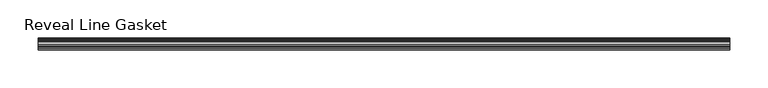
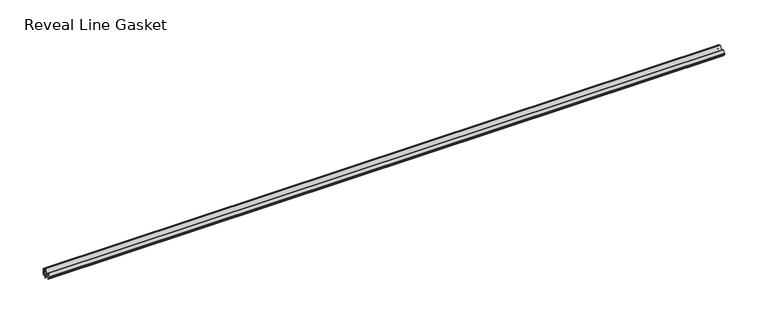
"""IFC4 building model written with IfcOpenShell, lengths in millimetres: furniture geometry, Reveal Line Gasket."""

from ifc_helpers import new_model, si_unit, point, frame, frame_2d, origin, place, context, project, spatial, polyline, circle_curve, trimmed, segment, composite_curve, outline, extrude, source, transform, mapped, element, save


def reveal_line_gasket_16e8c7bf(model_context):
    return source(origin(), model_context, "Body", "SweptSolid", [
        extrude(outline(composite_curve([segment(polyline([(7.6326998, 1603.2), (7.6326998, 1597.2), (7.4091917, 1596.2445073), (6.8813059, 1595.3115316)]), True, "CONTINUOUS"), segment(trimmed(circle_curve(frame_2d((6.5243141, 1595.5135207)), 0.4101739), [point((6.8813059, 1595.3115316))], [point((6.1246704, 1595.6058653))], False, "CARTESIAN"), True, "CONTINUOUS"), segment(polyline([(6.1246704, 1595.6058653), (6.3626997, 1597.3020914), (6.3626997, 1599.3345473)]), True, "CONTINUOUS"), segment(trimmed(circle_curve(frame_2d((5.6959605, 1598.9180742)), 0.786124), [point((6.3626997, 1599.3345473))], [point((5.0926996, 1599.422125))], True, "CARTESIAN"), True, "CONTINUOUS"), segment(polyline([(5.0926996, 1599.422125), (0.7492996, 1599.422125), (3.7293824, 1594.2604705)]), True, "CONTINUOUS"), segment(trimmed(circle_curve(frame_2d((3.3132479, 1594.1950239)), 0.4212495), [point((3.7293824, 1594.2604705))], [point((3.0485022, 1593.8673642))], False, "CARTESIAN"), True, "CONTINUOUS"), segment(polyline([(3.0485022, 1593.8673642), (-0.5742594, 1599.422125), (-4.8262978, 1599.422125), (-3.1660374, 1596.5464703)]), True, "CONTINUOUS"), segment(trimmed(circle_curve(frame_2d((-3.5978728, 1596.4881145)), 0.4357605), [point((-3.1660374, 1596.5464703))], [point((-3.864328, 1596.1433119))], False, "CARTESIAN"), True, "CONTINUOUS"), segment(polyline([(-3.864328, 1596.1433119), (-6.1944059, 1599.422125), (-7.6326998, 1599.422125), (-7.6326998, 1600.977875), (-6.1944059, 1600.977875), (-3.864328, 1604.2566881)]), True, "CONTINUOUS"), segment(trimmed(circle_curve(frame_2d((-3.5978728, 1603.9118855)), 0.4357605), [point((-3.864328, 1604.2566881))], [point((-3.1660374, 1603.8535297))], False, "CARTESIAN"), True, "CONTINUOUS"), segment(polyline([(-3.1660374, 1603.8535297), (-4.8262978, 1600.977875), (-0.5742594, 1600.977875), (3.0485022, 1606.5326358)]), True, "CONTINUOUS"), segment(trimmed(circle_curve(frame_2d((3.3132479, 1606.2049761)), 0.4212495), [point((3.0485022, 1606.5326358))], [point((3.7293824, 1606.1395295))], False, "CARTESIAN"), True, "CONTINUOUS"), segment(polyline([(3.7293824, 1606.1395295), (0.7492996, 1600.977875), (5.0926996, 1600.977875)]), True, "CONTINUOUS"), segment(trimmed(circle_curve(frame_2d((5.6959605, 1601.4819258)), 0.786124), [point((5.0926996, 1600.977875))], [point((6.3626997, 1601.0654527))], True, "CARTESIAN"), True, "CONTINUOUS"), segment(polyline([(6.3626997, 1601.0654527), (6.3626997, 1603.0979086), (6.1246704, 1604.7941347)]), True, "CONTINUOUS"), segment(trimmed(circle_curve(frame_2d((6.5243141, 1604.8864793)), 0.4101739), [point((6.1246704, 1604.7941347))], [point((6.8813059, 1605.0884684))], False, "CARTESIAN"), True, "CONTINUOUS"), segment(polyline([(6.8813059, 1605.0884684), (7.4091917, 1604.1554927), (7.6326998, 1603.2)]), True, "CONTINUOUS")], self_intersect=False)), frame((-450.5079114, 0.0, 0.0), z_axis=(1.0, 0.0, 0.0), x_axis=(0.0, 1.0, 0.0)), (0.0, 0.0, 1.0), 901.0158229),
    ])


if __name__ == "__main__":
    model = new_model("IFC4")
    model_context = context("Model", 3, world=origin())
    ifc_project = project(units=[si_unit("LENGTHUNIT", "METRE", prefix="MILLI")], contexts=[model_context])
    site = spatial("IfcSite", under=ifc_project)
    building = spatial("IfcBuilding", under=site)
    placement = place(None, origin())
    reveal_line_gasket_shape = reveal_line_gasket_16e8c7bf(model_context)
    element("IfcFurniture", 1, ObjectType="Reveal Line Gasket", at=placement, inside=building, context=model_context, shape_type="MappedRepresentation", body=[
        mapped(reveal_line_gasket_shape, transform((0.0, 0.0, 0.0), x_axis=(1.0, 0.0, 0.0), y_axis=(0.0, 1.0, 0.0), z_axis=(0.0, 0.0, 1.0))),
    ])
    save(model, "model.ifc")
